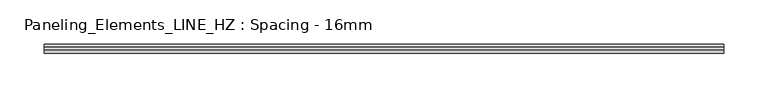
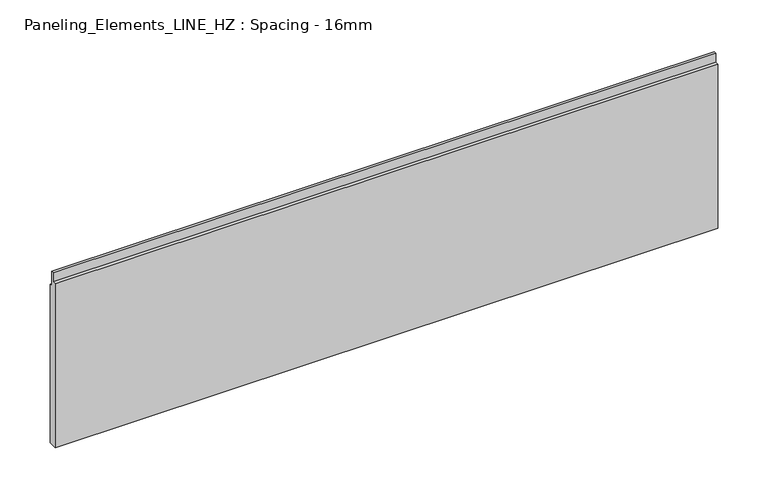
"""IFC4 building model written with IfcOpenShell, lengths in millimetres: plate geometry, Paneling_Elements_LINE_HZ : Spacing - 16mm."""

from ifc_helpers import new_model, si_unit, frame, origin, place, context, project, spatial, polyline, outline, extrude, source, transform, mapped, element, save


def paneling_elements_line_hz_spacing_16mm_13611a86(model_context):
    return source(origin(), model_context, "Body", "SweptSolid", [
        extrude(outline(polyline([(5.0, 0.0), (-5.0, 0.0), (-5.0, 200.0), (-1.0, 200.0), (-1.0, 211.0), (2.0, 211.0), (2.0, 193.0), (5.0, 193.0), (5.0, 0.0)])), frame((-382.25, 0.0, 0.0), z_axis=(1.0, 0.0, 0.0), x_axis=(0.0, 1.0, 0.0)), (0.0, 0.0, 1.0), 764.5),
    ])


if __name__ == "__main__":
    model = new_model("IFC4")
    model_context = context("Model", 3, world=origin())
    ifc_project = project(units=[si_unit("LENGTHUNIT", "METRE", prefix="MILLI")], contexts=[model_context])
    site = spatial("IfcSite", under=ifc_project)
    building = spatial("IfcBuilding", under=site)
    placement = place(None, origin())
    paneling_elements_line_hz_spacing_16mm_shape = paneling_elements_line_hz_spacing_16mm_13611a86(model_context)
    element("IfcPlate", 1, ObjectType="Paneling_Elements_LINE_HZ : Spacing - 16mm", at=placement, inside=building, context=model_context, shape_type="MappedRepresentation", body=[
        mapped(paneling_elements_line_hz_spacing_16mm_shape, transform((0.0, 0.0, 0.0), x_axis=(1.0, 0.0, 0.0), y_axis=(0.0, 1.0, 0.0), z_axis=(0.0, 0.0, 1.0))),
    ])
    save(model, "model.ifc")
